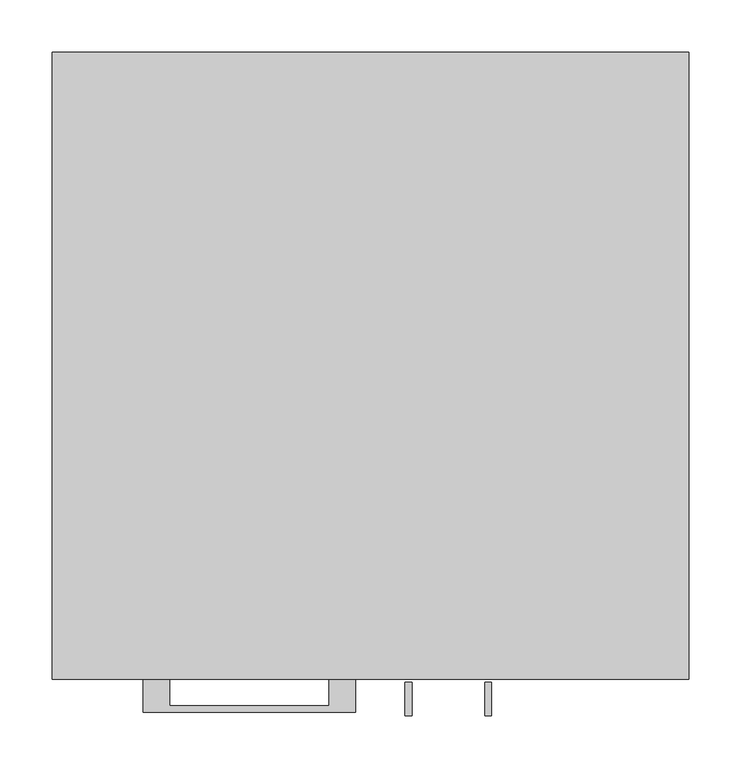
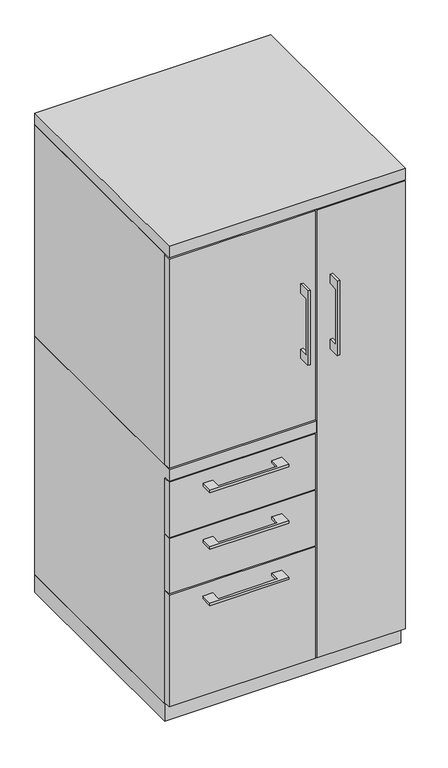
"""IFC4 building model written with IfcOpenShell, lengths in millimetres: furniture geometry."""

from ifc_helpers import new_model, si_unit, frame, origin, origin_with_axes, place, context, project, spatial, polyline, outline, extrude, faceted_brep, source, transform, mapped, element, save


def furniture_79f67693(model_context):
    return source(origin(), model_context, "Body", "SolidModel", [
        extrude(outline(polyline([(-603.25, 1063.625), (-628.6499758, 1063.625), (-628.6499758, 911.225), (-603.25, 911.225), (-603.25, 885.825), (-634.9999879, 885.825), (-634.9999879, 1089.025), (-603.25, 1089.025), (-603.25, 1063.625)])), frame((33.3375121, 0.0, 0.0), z_axis=(1.0, 0.0, 0.0), x_axis=(0.0, 1.0, 0.0)), (0.0, 0.0, 1.0), 6.3499758),
        extrude(outline(polyline([(-304.8, -600.075), (-304.8, -581.025), (73.025, -581.025), (73.025, -600.075), (-304.8, -600.075)])), frame((0.0, 0.0, 701.675), z_axis=(0.0, 0.0, 1.0), x_axis=(1.0, 0.0, 0.0)), (0.0, 0.0, 1.0), 571.5),
        extrude(outline(polyline([(-192.0874818, -600.075), (-192.0874818, -625.4749758), (-39.6875, -625.4749758), (-39.6875, -600.075), (-14.2875061, -600.075), (-14.2875061, -631.8249879), (-217.4874939, -631.8249879), (-217.4874939, -600.075), (-192.0874818, -600.075)])), frame((0.0, 0.0, 623.8875506), z_axis=(0.0, 0.0, 1.0), x_axis=(1.0, 0.0, 0.0)), (0.0, 0.0, 1.0), 6.3499758),
        extrude(outline(polyline([(73.025, -581.025), (73.025, -600.075), (-304.8, -600.075), (-304.8, -581.025), (73.025, -581.025)])), frame((0.0, 0.0, 512.7625), z_axis=(0.0, 0.0, 1.0), x_axis=(1.0, 0.0, 0.0)), (0.0, 0.0, 1.0), 150.8125),
        extrude(outline(polyline([(-192.0874818, -600.075), (-192.0874818, -625.4749758), (-39.6875, -625.4749758), (-39.6875, -600.075), (-14.2875061, -600.075), (-14.2875061, -631.8249879), (-217.4874939, -631.8249879), (-217.4874939, -600.075), (-192.0874818, -600.075)])), frame((0.0, 0.0, 469.9000506), z_axis=(0.0, 0.0, 1.0), x_axis=(1.0, 0.0, 0.0)), (0.0, 0.0, 1.0), 6.3499758),
        extrude(outline(polyline([(73.025, -581.025), (73.025, -600.075), (-304.8, -600.075), (-304.8, -581.025), (73.025, -581.025)])), frame((0.0, 0.0, 358.775), z_axis=(0.0, 0.0, 1.0), x_axis=(1.0, 0.0, 0.0)), (0.0, 0.0, 1.0), 150.8125),
        extrude(outline(polyline([(-603.25, 1063.625), (-628.6499758, 1063.625), (-628.6499758, 911.225), (-603.25, 911.225), (-603.25, 885.825), (-634.9999879, 885.825), (-634.9999879, 1089.025), (-603.25, 1089.025), (-603.25, 1063.625)])), frame((109.5375121, 0.0, 0.0), z_axis=(1.0, 0.0, 0.0), x_axis=(0.0, 1.0, 0.0)), (0.0, 0.0, 1.0), 6.3499758),
        extrude(outline(polyline([(304.8, -600.075), (76.2, -600.075), (76.2, -581.025), (304.8, -581.025), (304.8, -600.075)])), frame((0.0, 0.0, 50.8), z_axis=(0.0, 0.0, 1.0), x_axis=(1.0, 0.0, 0.0)), (0.0, 0.0, 1.0), 1222.375),
        extrude(outline(polyline([(-192.0874818, -600.075), (-192.0874818, -625.4749758), (-39.6875, -625.4749758), (-39.6875, -600.075), (-14.2875061, -600.075), (-14.2875061, -631.8249879), (-217.4874939, -631.8249879), (-217.4874939, -600.075), (-192.0874818, -600.075)])), frame((0.0, 0.0, 315.9125506), z_axis=(0.0, 0.0, 1.0), x_axis=(1.0, 0.0, 0.0)), (0.0, 0.0, 1.0), 6.3499758),
        extrude(outline(polyline([(73.025, -581.025), (73.025, -600.075), (-304.8, -600.075), (-304.8, -581.025), (73.025, -581.025)])), frame((0.0, 0.0, 50.8), z_axis=(0.0, 0.0, 1.0), x_axis=(1.0, 0.0, 0.0)), (0.0, 0.0, 1.0), 304.8),
        faceted_brep([(-304.8, -581.025, 47.625), (-304.8, 0.0, 47.625), (76.2, 0.0, 47.625), (76.2, -581.025, 47.625), (-304.8, 0.0, 698.5), (76.2, 0.0, 698.5), (-304.8, -581.025, 666.75), (-304.8, -600.075, 666.75), (-304.8, -600.075, 698.5), (76.2, -581.025, 666.75), (57.15, -581.025, 666.75), (76.2, -581.025, 1276.35), (57.15, -581.025, 1276.35), (57.15, -581.025, 698.5), (76.2, -581.025, 698.5), (76.2, -19.05, 698.5), (76.2, -19.05, 1276.35), (76.2, -600.075, 698.5), (76.2, -600.075, 666.75), (57.15, -19.05, 1276.35), (57.15, -19.05, 698.5)], [[[0, 1, 2, 3]], [[2, 1, 4, 5]], [[4, 1, 0, 6, 7, 8]], [[6, 0, 3, 9, 10]], [[11, 12, 13, 14]], [[2, 5, 15, 16, 11, 14, 17, 18, 9, 3]], [[16, 19, 12, 11]], [[19, 16, 15, 20]], [[12, 19, 20, 13]], [[5, 4, 8, 17, 14, 13, 20, 15]], [[18, 7, 6, 10, 9]], [[17, 8, 7, 18]]]),
        extrude(outline(polyline([(76.2, 0.0), (76.2, -19.05), (-285.75, -19.05), (-285.75, -581.025), (-304.8, -581.025), (-304.8, 0.0), (76.2, 0.0)])), frame((0.0, 0.0, 698.5), z_axis=(0.0, 0.0, 1.0), x_axis=(1.0, 0.0, 0.0)), (0.0, 0.0, 1.0), 577.85),
        extrude(outline(polyline([(304.8, 0.0), (304.8, -581.025), (285.75, -581.025), (285.75, -19.05), (76.2, -19.05), (76.2, 0.0), (304.8, 0.0)])), frame((0.0, 0.0, 47.625), z_axis=(0.0, 0.0, 1.0), x_axis=(1.0, 0.0, 0.0)), (0.0, 0.0, 1.0), 1228.725),
        extrude(outline(polyline([(304.8, 0.0), (304.8, -600.075), (-304.8, -600.075), (-304.8, 0.0), (304.8, 0.0)])), frame((0.0, 0.0, 1276.35), z_axis=(0.0, 0.0, 1.0), x_axis=(1.0, 0.0, 0.0)), (0.0, 0.0, 1.0), 31.75),
        extrude(outline(polyline([(304.8, 0.0), (304.8, -581.025), (-304.8, -581.025), (-304.8, 0.0), (304.8, 0.0)])), origin_with_axes(), (0.0, 0.0, 1.0), 47.625),
    ])


if __name__ == "__main__":
    model = new_model("IFC4")
    model_context = context("Model", 3, world=origin())
    ifc_project = project(units=[si_unit("LENGTHUNIT", "METRE", prefix="MILLI")], contexts=[model_context])
    site = spatial("IfcSite", under=ifc_project)
    building = spatial("IfcBuilding", under=site)
    placement = place(None, origin())
    furniture_shape = furniture_79f67693(model_context)
    element("IfcFurniture", 1, at=placement, inside=building, context=model_context, shape_type="MappedRepresentation", body=[
        mapped(furniture_shape, transform((0.0, 0.0, 0.0), x_axis=(1.0, 0.0, 0.0), y_axis=(0.0, 1.0, 0.0), z_axis=(0.0, 0.0, 1.0))),
    ])
    save(model, "model.ifc")
